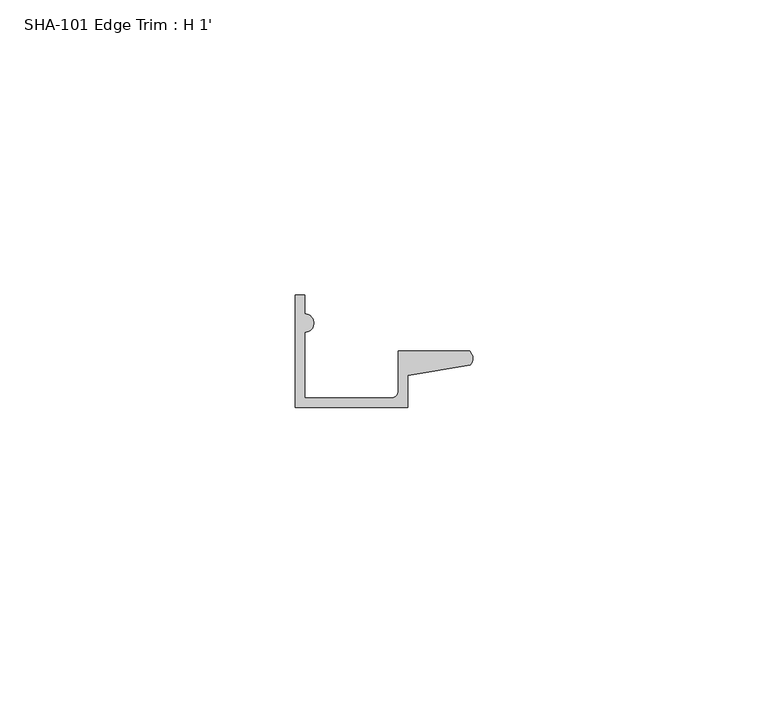
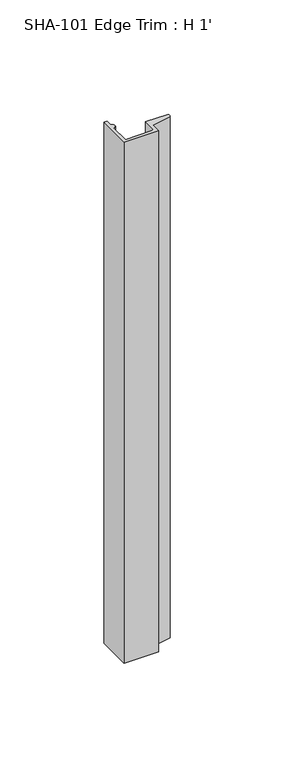
"""IFC4 building model written with IfcOpenShell, lengths in millimetres: proxy geometry, SHA-101 Edge Trim : H 1'."""

from ifc_helpers import new_model, si_unit, point, frame_2d, origin, origin_with_axes, place, context, project, spatial, polyline, circle_curve, trimmed, segment, composite_curve, outline, extrude, source, transform, mapped, element, save


def sha_101_edge_trim_h_1_1d53a68e(model_context):
    return source(origin(), model_context, "Body", "SweptSolid", [
        extrude(outline(composite_curve([segment(polyline([(1.5748, 12.7127), (1.5748, 1.5748), (16.1798, 1.5748)]), True, "CONTINUOUS"), segment(trimmed(circle_curve(frame_2d((16.1798, 2.8448)), 1.27), [point((16.1798, 1.5748))], [point((17.4498, 2.8448))], True, "CARTESIAN"), True, "CONTINUOUS"), segment(polyline([(17.4498, 2.8448), (17.4498, 9.525), (29.5346031, 9.525)]), True, "CONTINUOUS"), segment(trimmed(circle_curve(frame_2d((28.4438454, 8.3323235)), 1.6162393), [point((29.5346031, 9.525))], [point((29.6006869, 7.2036308))], False, "CARTESIAN"), True, "CONTINUOUS"), segment(polyline([(29.6006869, 7.2036308), (19.0246, 5.392657), (19.0246, 0.0), (0.0, 0.0), (0.0, 19.05), (1.5748, 19.05), (1.5748, 15.8623)]), True, "CONTINUOUS"), segment(trimmed(circle_curve(frame_2d((1.5748, 14.2875)), 1.5748), [point((1.5748, 15.8623))], [point((1.5748, 12.7127))], False, "CARTESIAN"), True, "CONTINUOUS")], self_intersect=False)), origin_with_axes(), (0.0, 0.0, 1.0), 304.8),
    ])


if __name__ == "__main__":
    model = new_model("IFC4")
    model_context = context("Model", 3, world=origin())
    ifc_project = project(units=[si_unit("LENGTHUNIT", "METRE", prefix="MILLI")], contexts=[model_context])
    site = spatial("IfcSite", under=ifc_project)
    building = spatial("IfcBuilding", under=site)
    placement = place(None, origin())
    sha_101_edge_trim_h_1_shape = sha_101_edge_trim_h_1_1d53a68e(model_context)
    element("IfcBuildingElementProxy", 1, Name="SHA-101 Edge Trim : H 1'", ObjectType="SHA-101 Edge Trim : H 1'", at=placement, inside=building, context=model_context, shape_type="MappedRepresentation", body=[
        mapped(sha_101_edge_trim_h_1_shape, transform((0.0, 0.0, 0.0), x_axis=(1.0, 0.0, 0.0), y_axis=(0.0, 1.0, 0.0), z_axis=(0.0, 0.0, 1.0))),
    ])
    save(model, "model.ifc")
